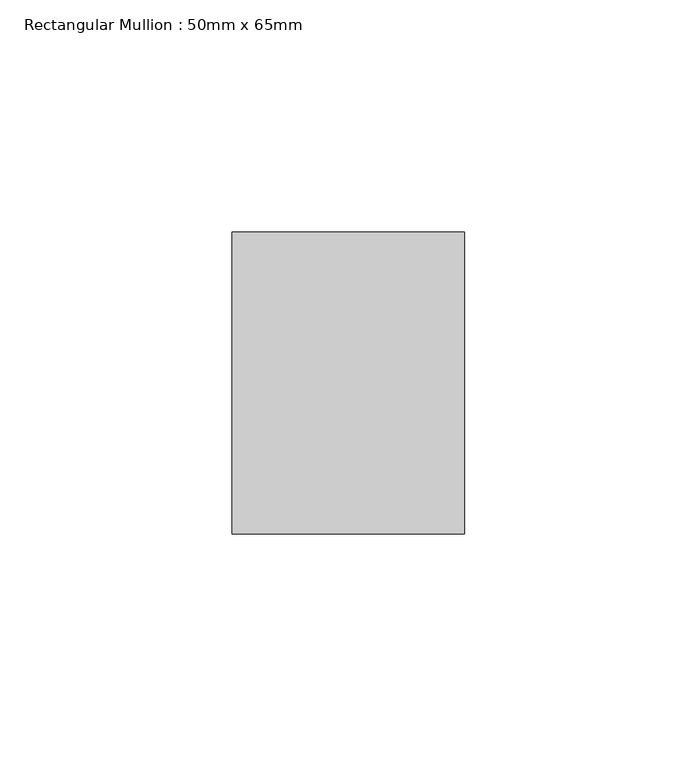
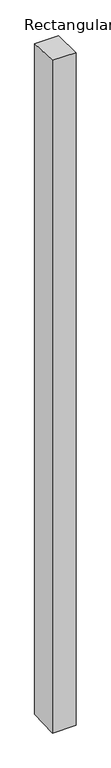
"""IFC4 building model written with IfcOpenShell, lengths in millimetres: member geometry, Rectangular Mullion : 50mm x 65mm."""

from ifc_helpers import new_model, si_unit, origin, place, context, project, spatial, faceted_brep, source, transform, mapped, element, save


def rectangular_mullion_50mm_x_65mm_7078e856(model_context):
    return source(origin(), model_context, "Body", "Brep", [
        faceted_brep([(-25.0, 32.5, -1.141947), (25.0, 32.5, -1.1419538), (25.0, 32.5, -1498.5323322), (-25.0, 32.5, -1498.5323409), (-25.0, -32.5, 1.1419538), (-25.0, -32.5, -1501.4676917), (25.0, -32.5, 1.141947), (25.0, -32.5, -1501.4676829)], [[[0, 1, 2, 3]], [[4, 0, 3, 5]], [[6, 4, 5, 7]], [[1, 6, 7, 2]], [[1, 0, 4, 6]], [[2, 7, 5, 3]]]),
    ])


if __name__ == "__main__":
    model = new_model("IFC4")
    model_context = context("Model", 3, world=origin())
    ifc_project = project(units=[si_unit("LENGTHUNIT", "METRE", prefix="MILLI")], contexts=[model_context])
    site = spatial("IfcSite", under=ifc_project)
    building = spatial("IfcBuilding", under=site)
    placement = place(None, origin())
    rectangular_mullion_50mm_x_65mm_shape = rectangular_mullion_50mm_x_65mm_7078e856(model_context)
    element("IfcMember", 1, ObjectType="Rectangular Mullion : 50mm x 65mm", at=placement, inside=building, context=model_context, shape_type="MappedRepresentation", body=[
        mapped(rectangular_mullion_50mm_x_65mm_shape, transform((0.0, 0.0, 0.0), x_axis=(1.0, 0.0, 0.0), y_axis=(0.0, 1.0, 0.0), z_axis=(0.0, 0.0, 1.0))),
    ])
    save(model, "model.ifc")
